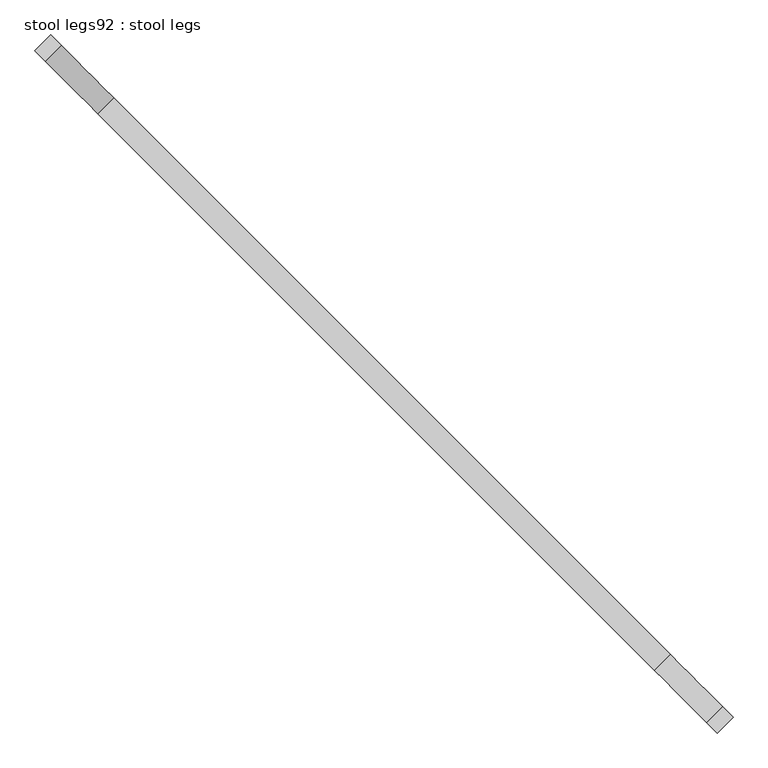
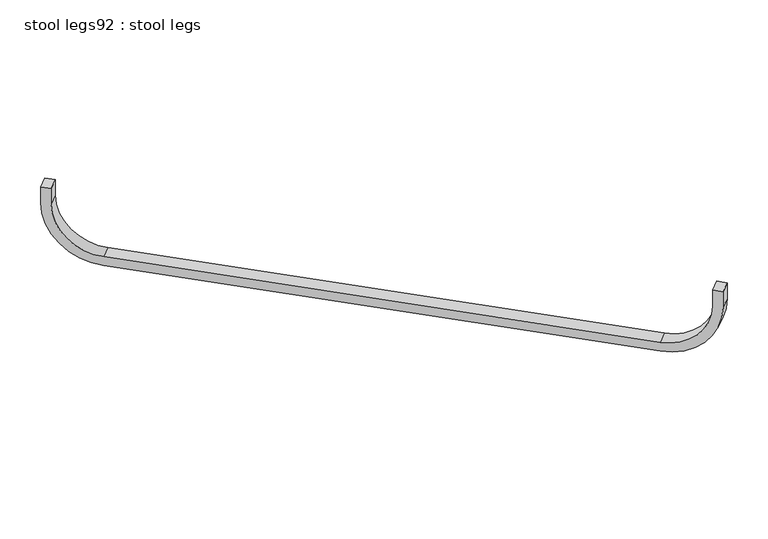
"""IFC4 building model written with IfcOpenShell, lengths in millimetres: furniture geometry, stool legs92 : stool legs."""

from ifc_helpers import new_model, si_unit, point, frame, frame_2d, origin, place, context, project, spatial, polyline, circle_curve, trimmed, segment, composite_curve, outline, extrude, source, transform, mapped, element, save


def stool_legs92_stool_legs_f7f0bb90(model_context):
    return source(origin(), model_context, "Body", "SweptSolid", [
        extrude(outline(composite_curve([segment(polyline([(0.0, 254.0), (-44.45, 254.0), (-44.45, 279.4), (0.0, 279.4)]), True, "CONTINUOUS"), segment(trimmed(circle_curve(frame_2d((0.0, 127.0)), 152.4), [point((0.0, 279.4))], [point((152.4, 127.0))], False, "CARTESIAN"), True, "CONTINUOUS"), segment(polyline([(152.4, 127.0), (152.4, -1219.2)]), True, "CONTINUOUS"), segment(trimmed(circle_curve(frame_2d((0.0, -1219.2)), 152.4), [point((152.4, -1219.2))], [point((0.0, -1371.6))], False, "CARTESIAN"), True, "CONTINUOUS"), segment(polyline([(0.0, -1371.6), (-44.45, -1371.6), (-44.45, -1346.2), (0.0, -1346.2)]), True, "CONTINUOUS"), segment(trimmed(circle_curve(frame_2d((0.0, -1219.2)), 127.0), [point((0.0, -1346.2))], [point((127.0, -1219.2))], True, "CARTESIAN"), True, "CONTINUOUS"), segment(polyline([(127.0, -1219.2), (127.0, 127.0)]), True, "CONTINUOUS"), segment(trimmed(circle_curve(frame_2d((0.0, 127.0)), 127.0), [point((127.0, 127.0))], [point((0.0, 254.0))], True, "CARTESIAN"), True, "CONTINUOUS")], self_intersect=False)), frame((-233857.4768761, -38342.0215099, 412.75), z_axis=(0.7071067811865763, 0.7071067811865187, 0.0), x_axis=(0.0, 0.0, -1.0)), (0.0, 0.0, 1.0), 38.1),
    ])


if __name__ == "__main__":
    model = new_model("IFC4")
    model_context = context("Model", 3, world=origin())
    ifc_project = project(units=[si_unit("LENGTHUNIT", "METRE", prefix="MILLI")], contexts=[model_context])
    site = spatial("IfcSite", under=ifc_project)
    building = spatial("IfcBuilding", under=site)
    placement = place(None, origin())
    stool_legs92_stool_legs_shape = stool_legs92_stool_legs_f7f0bb90(model_context)
    element("IfcFurniture", 1, ObjectType="stool legs92 : stool legs", at=placement, inside=building, context=model_context, shape_type="MappedRepresentation", body=[
        mapped(stool_legs92_stool_legs_shape, transform((0.0, 0.0, 0.0), x_axis=(1.0, 0.0, 0.0), y_axis=(0.0, 1.0, 0.0), z_axis=(0.0, 0.0, 1.0))),
    ])
    save(model, "model.ifc")
